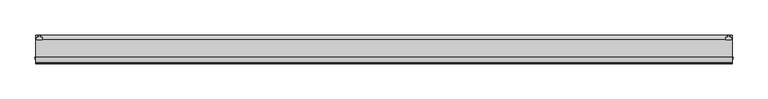
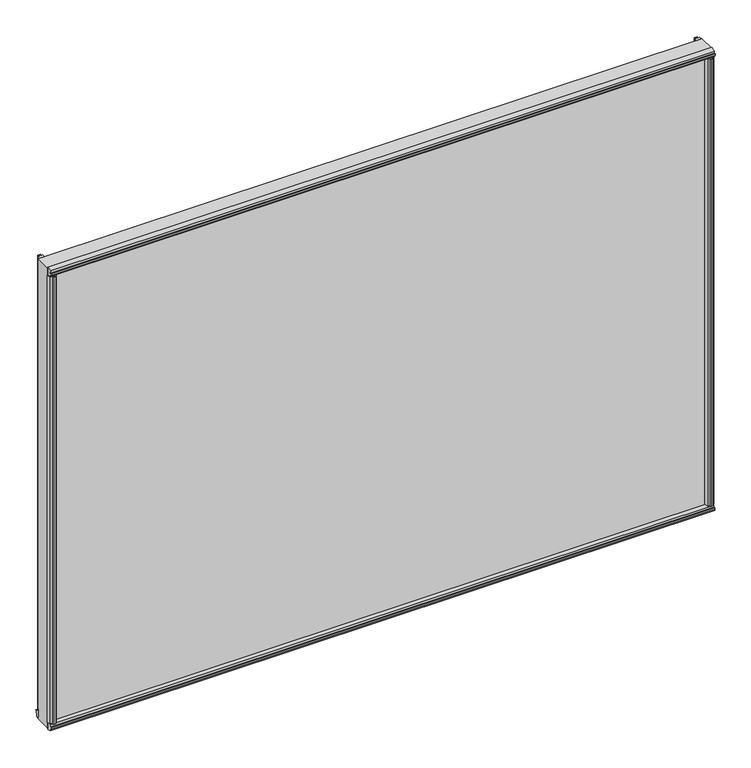
"""IFC4 building model written with IfcOpenShell, lengths in millimetres: plate geometry."""

from ifc_helpers import new_model, si_unit, point, frame, frame_2d, origin, origin_with_axes, place, context, project, spatial, polyline, circle_curve, trimmed, segment, composite_curve, outline, extrude, faceted_brep, source, transform, mapped, element, save


def plate_e7d3a1c1(model_context):
    return source(origin(), model_context, "Body", "SolidModel", [
        extrude(outline(polyline([(585.7748, 4.7498), (589.28, 4.7498), (589.7626, 7.4676), (588.2132, 7.2136), (588.2132, 8.0264), (590.55, 8.4328), (592.8868, 8.0264), (592.8868, 7.2136), (591.3374, 7.4676), (591.82, 4.7498), (595.3252, 4.7498), (595.8529556, 2.498043), (595.3252, 0.0), (585.7748, 0.0), (585.2470444, 2.498043), (585.7748, 4.7498)])), frame((0.0, 0.0, 12.303125), z_axis=(0.0, 0.0, 1.0), x_axis=(1.0, 0.0, 0.0)), (0.0, 0.0, 1.0), 862.0997748),
        extrude(outline(polyline([(-591.82, 4.7498), (-591.3374, 7.4676), (-592.8868, 7.2136), (-592.8868, 8.0264), (-590.55, 8.4328), (-588.2132, 8.0264), (-588.2132, 7.2136), (-589.7626, 7.4676), (-589.28, 4.7498), (-585.7748, 4.7498), (-585.2470444, 2.498043), (-585.7748, 0.0), (-595.3252, 0.0), (-595.8529556, 2.498043), (-595.3252, 4.7498), (-591.82, 4.7498)])), frame((0.0, 0.0, 12.303125), z_axis=(0.0, 0.0, 1.0), x_axis=(1.0, 0.0, 0.0)), (0.0, 0.0, 1.0), 862.0997748),
        extrude(outline(composite_curve([segment(polyline([(7.9498938, 11.9799501), (5.5622938, 11.979889)]), True, "CONTINUOUS"), segment(trimmed(circle_curve(frame_2d((5.562314, 11.192489)), 0.7874), [point((5.5622938, 11.979889))], [point((4.774914, 11.1924689))], True, "CARTESIAN"), True, "CONTINUOUS"), segment(polyline([(4.774914, 11.1924689), (4.7749341, 10.4050689), (6.3497341, 10.4051092), (4.7751038, 4.6515669), (4.7751038, 3.7716729)]), True, "CONTINUOUS"), segment(trimmed(circle_curve(frame_2d((2.3494028, 3.8100148)), 2.426004), [point((4.7751038, 3.7716729))], [point((-0.0762962, 3.7715488))], False, "CARTESIAN"), True, "CONTINUOUS"), segment(polyline([(-0.0762962, 3.7715488), (-0.0766548, 17.7903564)]), True, "CONTINUOUS"), segment(trimmed(circle_curve(frame_2d((11.6053533, 25.4788125)), 13.9850517), [point((-0.0766548, 17.7903564))], [point((7.9498938, 11.9799501))], True, "CARTESIAN"), True, "CONTINUOUS")], self_intersect=False)), frame((-596.9, 0.0, 0.0), z_axis=(1.0, 0.0, 0.0), x_axis=(0.0, 1.0, 0.0)), (0.0, 0.0, 1.0), 1193.8),
        faceted_brep([(-596.9, -30.1466606, 11.5004847), (-596.9, -30.1503466, -2.0022926), (-596.9, -36.8781865, -0.7855191), (-596.9, -36.8628339, 3.5070534), (-596.9, -39.5788905, 3.9993706), (-596.9, -39.3304336, 2.4490721), (-596.9, -40.1432284, 2.4519791), (-596.9, -40.5412682, 4.7902176), (-596.9, -40.1265132, 7.1255492), (-596.9, -39.3137184, 7.1226422), (-596.9, -39.5732582, 5.5741605), (-596.9, -36.8537495, 6.0470372), (-596.9, -36.838397, 10.3396097), (596.9, -30.1466606, 11.5004847), (596.9, -36.838397, 10.3396097), (596.9, -36.8537495, 6.0470372), (596.9, -39.5732582, 5.5741605), (596.9, -39.3137184, 7.1226422), (596.9, -40.1265132, 7.1255492), (596.9, -40.5412682, 4.7902176), (596.9, -40.1432284, 2.4519791), (596.9, -39.3304336, 2.4490721), (596.9, -39.5788905, 3.9993706), (596.9, -36.796324, 3.4949977), (596.9, -36.8781865, -0.7855191), (596.9, -30.1503466, -2.0022926)], [[[0, 1, 2, 3, 4, 5, 6, 7, 8, 9, 10, 11, 12]], [[13, 14, 15, 16, 17, 18, 19, 20, 21, 22, 23, 24, 25]], [[1, 0, 13, 25]], [[2, 1, 25, 24]], [[3, 2, 24, 23]], [[4, 3, 23, 22]], [[5, 4, 22, 21]], [[6, 5, 21, 20]], [[7, 6, 20, 19]], [[8, 7, 19, 18]], [[9, 8, 18, 17]], [[10, 9, 17, 16]], [[11, 10, 16, 15]], [[12, 11, 15, 14]], [[0, 12, 14, 13]]]),
        extrude(outline(polyline([(592.128247, -39.5987618), (593.6742, -39.3510013), (593.6742, -40.1633446), (591.3374, -40.5611395), (589.0006, -40.1461237), (589.0006, -39.3328563), (590.5534571, -39.5931295), (590.0805804, -36.8736209), (585.7880079, -36.8736209), (584.6198239, -30.1244), (598.1381967, -30.1244), (596.9159134, -36.8827052), (592.6205642, -36.8827052), (592.128247, -39.5987618)])), frame((0.0, 0.0, 12.303125), z_axis=(0.0, 0.0, 1.0), x_axis=(1.0, 0.0, 0.0)), (0.0, 0.0, 1.0), 849.3997748),
        extrude(outline(polyline([(-590.5534571, -39.5931295), (-589.0049754, -39.3335897), (-589.0020684, -40.1463845), (-591.3374, -40.5611395), (-593.6756386, -40.1630997), (-593.6756386, -39.3503049), (-592.128247, -39.5987618), (-592.6205727, -36.8826581), (-596.9159219, -36.8826581), (-598.1381967, -30.1244), (-584.6198239, -30.1244), (-585.7880079, -36.8582683), (-590.0779109, -36.8582683), (-590.5534571, -39.5931295)])), frame((0.0, 0.0, 12.303125), z_axis=(0.0, 0.0, 1.0), x_axis=(1.0, 0.0, 0.0)), (0.0, 0.0, 1.0), 849.3997748),
        extrude(outline(polyline([(-596.9, 0.0), (596.9, 0.0), (596.9, -30.1244), (-596.9, -30.1244), (-596.9, 0.0)])), origin_with_axes(), (0.0, 0.0, 1.0), 874.4028998),
        extrude(outline(polyline([(-41.1923071, 870.4172793), (-40.3836033, 870.5297544), (-40.4217442, 868.9601362), (-37.7963354, 869.8125258), (-38.3876619, 874.0642017), (-30.1244, 875.9604616), (-30.1244, 861.514831), (-36.8551106, 863.0450655), (-37.4489919, 867.3151106), (-40.2048076, 867.4003498), (-39.7397916, 865.9007111), (-40.5448426, 865.7887439), (-41.269274, 868.0472819), (-41.1923071, 870.4172793)])), frame((-596.9, 0.0, 0.0), z_axis=(1.0, 0.0, 0.0), x_axis=(0.0, 1.0, 0.0)), (0.0, 0.0, 1.0), 1193.8),
    ])


if __name__ == "__main__":
    model = new_model("IFC4")
    model_context = context("Model", 3, world=origin())
    ifc_project = project(units=[si_unit("LENGTHUNIT", "METRE", prefix="MILLI")], contexts=[model_context])
    site = spatial("IfcSite", under=ifc_project)
    building = spatial("IfcBuilding", under=site)
    placement = place(None, origin())
    plate_shape = plate_e7d3a1c1(model_context)
    element("IfcPlate", 1, at=placement, inside=building, context=model_context, shape_type="MappedRepresentation", body=[
        mapped(plate_shape, transform((0.0, 0.0, 0.0), x_axis=(1.0, 0.0, 0.0), y_axis=(0.0, 1.0, 0.0), z_axis=(0.0, 0.0, 1.0))),
    ])
    save(model, "model.ifc")
